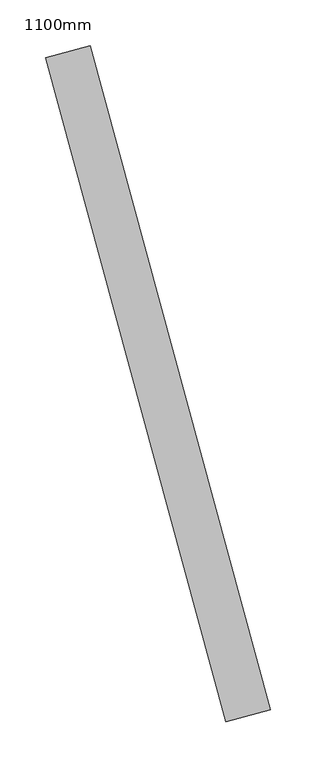
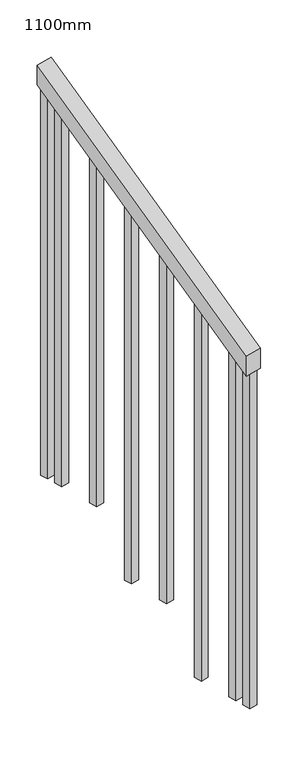
"""IFC4 building model written with IfcOpenShell, lengths in millimetres: railing geometry, 1100mm."""

from ifc_helpers import new_model, si_unit, frame, origin, place, context, project, spatial, polyline, outline, extrude, source, transform, mapped, element, save


def railing_1100mm_919c60e2(model_context):
    return source(origin(), model_context, "Body", "SweptSolid", [
        extrude(outline(polyline([(-35.5555555, -50.0), (0.0, 0.0), (920.2958461, 0.0), (884.7402905, -50.0), (-35.5555555, -50.0)])), frame((96660.7622533, 55417.0058623, 1277.7777778), z_axis=(0.9649894123601837, 0.26228883703418915, 0.0), x_axis=(-0.2137536843159581, 0.7864232597554026, 0.5795237863600082)), (0.0, 0.0, 1.0), 50.0),
        extrude(outline(polyline([(1271.980277, -25.0), (108.8888889, -25.0), (91.1111112, 0.0), (1271.980277, 0.0), (1271.980277, -25.0)])), frame((96489.222435, 56095.7770614, 1805.3136103), z_axis=(0.9649894123601837, 0.26228883703418915, 0.0), x_axis=(0.0, 0.0, -1.0)), (0.0, 0.0, 1.0), 25.0),
        extrude(outline(polyline([(1183.0913881, -25.0), (108.8888889, -25.0), (91.1111111, 0.0), (1183.0913881, 0.0), (1183.0913881, -25.0)])), frame((96522.0085396, 55975.1533848, 1716.4247214), z_axis=(0.9649894123601837, 0.26228883703418915, 0.0), x_axis=(0.0, 0.0, -1.0)), (0.0, 0.0, 1.0), 25.0),
        extrude(outline(polyline([(1271.9802769, -25.0), (108.8888889, -25.0), (91.1111111, 0.0), (1271.9802769, 0.0), (1271.9802769, -25.0)])), frame((96554.7946443, 55854.5297083, 1627.5358325), z_axis=(0.9649894123601837, 0.26228883703418915, 0.0), x_axis=(0.0, 0.0, -1.0)), (0.0, 0.0, 1.0), 25.0),
        extrude(outline(polyline([(1183.091388, -25.0), (108.8888889, -25.0), (91.1111111, 0.0), (1183.091388, 0.0), (1183.091388, -25.0)])), frame((96587.5807489, 55733.9060317, 1538.6469436), z_axis=(0.9649894123601837, 0.26228883703418915, 0.0), x_axis=(0.0, 0.0, -1.0)), (0.0, 0.0, 1.0), 25.0),
        extrude(outline(polyline([(1271.9802769, -25.0), (108.8888889, -25.0), (91.1111111, 0.0), (1271.9802769, 0.0), (1271.9802769, -25.0)])), frame((96620.3668535, 55613.2823552, 1449.7580547), z_axis=(0.9649894123601837, 0.26228883703418915, 0.0), x_axis=(0.0, 0.0, -1.0)), (0.0, 0.0, 1.0), 25.0),
        extrude(outline(polyline([(1183.091388, -25.0), (108.8888889, -25.0), (91.1111111, 0.0), (1183.091388, 0.0), (1183.091388, -25.0)])), frame((96653.1529582, 55492.6586786, 1360.8691658), z_axis=(0.9649894123601837, 0.26228883703418915, 0.0), x_axis=(0.0, 0.0, -1.0)), (0.0, 0.0, 1.0), 25.0),
        extrude(outline(polyline([(1307.5358325, -25.0), (108.8888889, -25.0), (91.1111111, 0.0), (1307.5358325, 0.0), (1307.5358325, -25.0)])), frame((96476.1079932, 56144.026532, 1840.8691658), z_axis=(0.9649894123601837, 0.26228883703418915, 0.0), x_axis=(0.0, 0.0, -1.0)), (0.0, 0.0, 1.0), 25.0),
        extrude(outline(polyline([(1147.5358325, -25.0), (108.8888889, -25.0), (91.1111112, 0.0), (1147.5358325, 0.0), (1147.5358325, -25.0)])), frame((96666.2674, 55444.409208, 1325.3136103), z_axis=(0.9649894123601837, 0.26228883703418915, 0.0), x_axis=(0.0, 0.0, -1.0)), (0.0, 0.0, 1.0), 25.0),
    ])


if __name__ == "__main__":
    model = new_model("IFC4")
    model_context = context("Model", 3, world=origin())
    ifc_project = project(units=[si_unit("LENGTHUNIT", "METRE", prefix="MILLI")], contexts=[model_context])
    site = spatial("IfcSite", under=ifc_project)
    building = spatial("IfcBuilding", under=site)
    placement = place(None, origin())
    railing_1100mm_shape = railing_1100mm_919c60e2(model_context)
    element("IfcRailing", 1, ObjectType="1100mm", at=placement, inside=building, context=model_context, shape_type="MappedRepresentation", body=[
        mapped(railing_1100mm_shape, transform((0.0, 0.0, 0.0), x_axis=(1.0, 0.0, 0.0), y_axis=(0.0, 1.0, 0.0), z_axis=(0.0, 0.0, 1.0))),
    ])
    save(model, "model.ifc")
